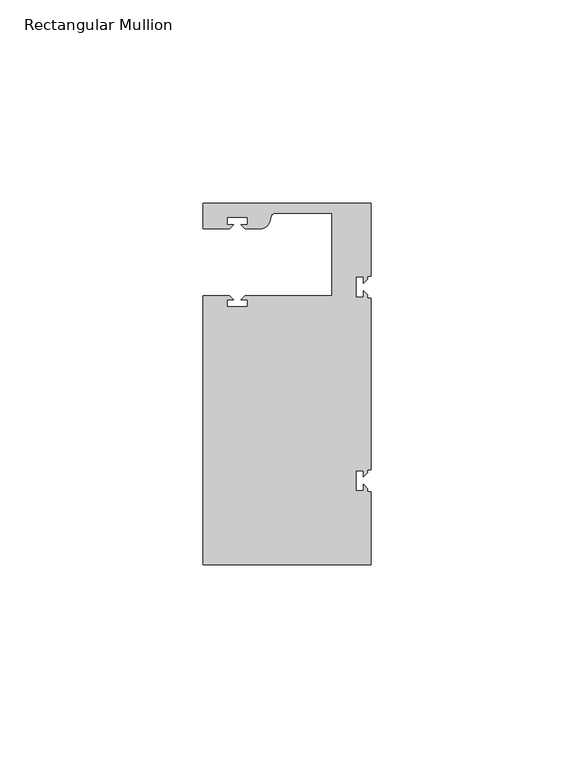
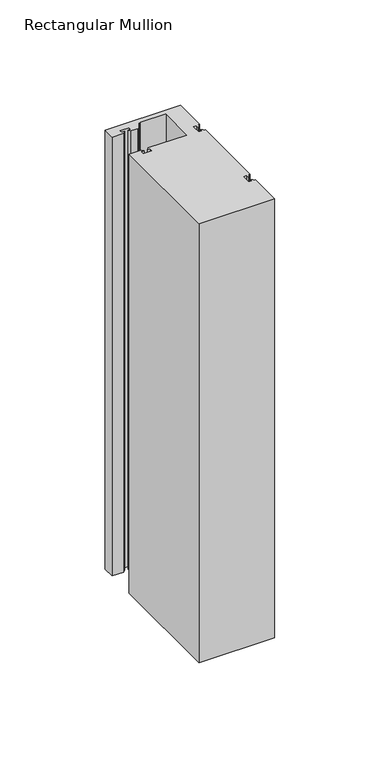
"""IFC4 building model written with IfcOpenShell, lengths in millimetres: member geometry, Rectangular Mullion."""

from ifc_helpers import new_model, si_unit, point, frame, frame_2d, origin, place, context, project, spatial, polyline, circle_curve, trimmed, segment, composite_curve, outline, extrude, source, transform, mapped, element, save


def rectangular_mullion_a0a1f89d(model_context):
    return source(origin(), model_context, "Body", "SweptSolid", [
        extrude(outline(composite_curve([segment(polyline([(0.0, 44.45), (0.0, 26.5319902), (-0.79375, 26.5319902), (-0.79375, 25.7382402), (-1.7937657, 24.7382245), (-1.7937657, 26.3124974), (-3.5938131, 26.3124974), (-3.5938131, 21.3125026), (-1.7937657, 21.3125026), (-1.7937657, 22.88674), (-0.79375, 21.8867243), (-0.79375, 21.0930098), (0.0, 21.0930098), (0.0, -21.0930098), (-0.79375, -21.0930098), (-0.79375, -21.8867598), (-1.7937657, -22.8867755), (-1.7937657, -21.3125026), (-3.5938131, -21.3125026), (-3.5938131, -26.3124974), (-1.7937657, -26.3124974), (-1.7937657, -24.73826), (-0.79375, -25.7382757), (-0.79375, -26.5319902), (0.0, -26.5319902), (0.0, -44.45), (-41.275, -44.45), (-41.275, 21.749999), (-34.8007562, 21.749999), (-33.8007405, 20.7499834), (-35.3750134, 20.7499834), (-35.3750134, 18.949936), (-30.3750186, 18.949936), (-30.3750186, 20.7499834), (-31.949256, 20.7499834), (-30.9492434, 21.7499959), (-9.525, 21.7499959), (-9.525, 41.95), (-23.5599329, 41.95)]), True, "CONTINUOUS"), segment(trimmed(circle_curve(frame_2d((-23.5599329, 40.9500001)), 1.0), [point((-23.5599329, 41.95))], [point((-24.5258588, 41.2088192))], True, "CARTESIAN"), True, "CONTINUOUS"), segment(polyline([(-24.5258588, 41.2088192), (-24.8489707, 40.002949)]), True, "CONTINUOUS"), segment(trimmed(circle_curve(frame_2d((-27.2637853, 40.6499966)), 2.5), [point((-24.8489707, 40.002949))], [point((-27.2637853, 38.1499966))], False, "CARTESIAN"), True, "CONTINUOUS"), segment(polyline([(-27.2637853, 38.1499966), (-30.9492503, 38.1499966), (-31.949256, 39.1500023), (-30.3749831, 39.1500023), (-30.3749831, 40.9498819), (-35.3749778, 40.9498819), (-35.3749778, 39.1500023), (-33.8007405, 39.1500023), (-34.8007531, 38.1499897), (-41.2749977, 38.1499897), (-41.2749977, 44.45), (0.0, 44.45)]), True, "CONTINUOUS")], self_intersect=False)), frame((0.0, 0.0, -254.0), z_axis=(0.0, 0.0, 1.0), x_axis=(1.0, 0.0, 0.0)), (0.0, 0.0, 1.0), 254.0),
    ])


if __name__ == "__main__":
    model = new_model("IFC4")
    model_context = context("Model", 3, world=origin())
    ifc_project = project(units=[si_unit("LENGTHUNIT", "METRE", prefix="MILLI")], contexts=[model_context])
    site = spatial("IfcSite", under=ifc_project)
    building = spatial("IfcBuilding", under=site)
    placement = place(None, origin())
    rectangular_mullion_shape = rectangular_mullion_a0a1f89d(model_context)
    element("IfcMember", 1, ObjectType="Rectangular Mullion", at=placement, inside=building, context=model_context, shape_type="MappedRepresentation", body=[
        mapped(rectangular_mullion_shape, transform((0.0, 0.0, 0.0), x_axis=(1.0, 0.0, 0.0), y_axis=(0.0, 1.0, 0.0), z_axis=(0.0, 0.0, 1.0))),
    ])
    save(model, "model.ifc")
